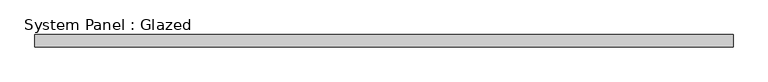
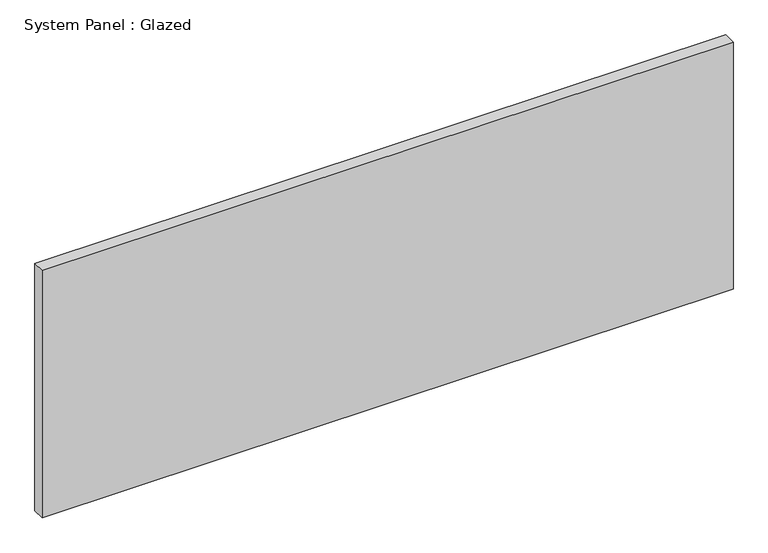
"""IFC4 building model written with IfcOpenShell, lengths in millimetres: plate geometry, System Panel : Glazed."""

from ifc_helpers import new_model, si_unit, origin, origin_with_axes, place, context, project, spatial, polyline, outline, extrude, source, transform, mapped, element, save


def system_panel_glazed_bc94fa0a(model_context):
    return source(origin(), model_context, "Body", "SweptSolid", [
        extrude(outline(polyline([(693.4210526, 24.5), (-693.4210526, 24.5), (-693.4210526, 49.5), (693.4210526, 49.5), (693.4210526, 24.5)])), origin_with_axes(), (0.0, 0.0, 1.0), 525.0),
    ])


if __name__ == "__main__":
    model = new_model("IFC4")
    model_context = context("Model", 3, world=origin())
    ifc_project = project(units=[si_unit("LENGTHUNIT", "METRE", prefix="MILLI")], contexts=[model_context])
    site = spatial("IfcSite", under=ifc_project)
    building = spatial("IfcBuilding", under=site)
    placement = place(None, origin())
    system_panel_glazed_shape = system_panel_glazed_bc94fa0a(model_context)
    element("IfcPlate", 1, ObjectType="System Panel : Glazed", at=placement, inside=building, context=model_context, shape_type="MappedRepresentation", body=[
        mapped(system_panel_glazed_shape, transform((0.0, 0.0, 0.0), x_axis=(1.0, 0.0, 0.0), y_axis=(0.0, 1.0, 0.0), z_axis=(0.0, 0.0, 1.0))),
    ])
    save(model, "model.ifc")
